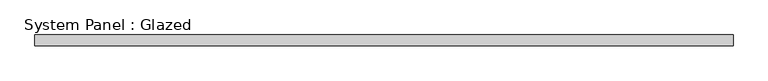
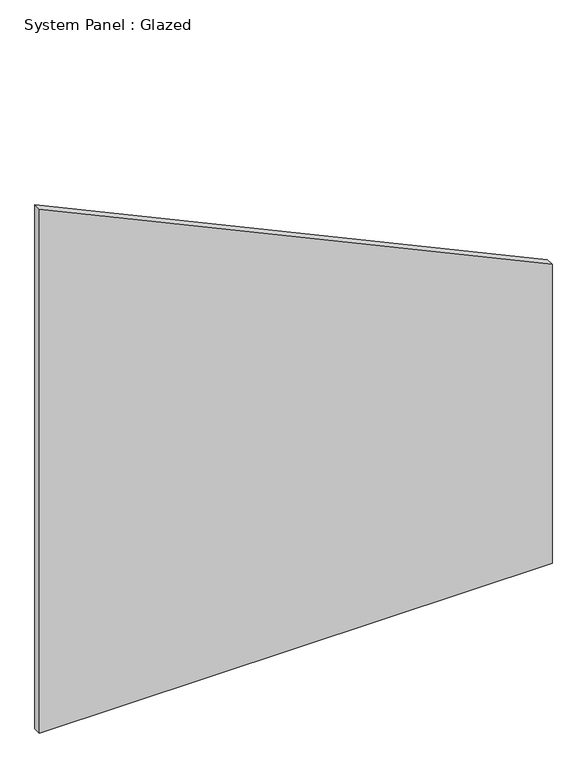
"""IFC4 building model written with IfcOpenShell, lengths in millimetres: plate geometry, System Panel : Glazed."""

from ifc_helpers import new_model, si_unit, frame, origin, place, context, project, spatial, polyline, outline, extrude, source, transform, mapped, element, save


def system_panel_glazed_ce806fdf(model_context):
    return source(origin(), model_context, "Body", "SweptSolid", [
        extrude(outline(polyline([(0.0, -808.6842105), (0.0, 808.6842105), (997.5216558, 808.6842105), (1747.8193249, -808.6842105), (0.0, -808.6842105)])), frame((0.0, 52.5, 0.0), z_axis=(0.0, 1.0, 0.0), x_axis=(0.0, 0.0, 1.0)), (0.0, 0.0, 1.0), 25.0),
    ])


if __name__ == "__main__":
    model = new_model("IFC4")
    model_context = context("Model", 3, world=origin())
    ifc_project = project(units=[si_unit("LENGTHUNIT", "METRE", prefix="MILLI")], contexts=[model_context])
    site = spatial("IfcSite", under=ifc_project)
    building = spatial("IfcBuilding", under=site)
    placement = place(None, origin())
    system_panel_glazed_shape = system_panel_glazed_ce806fdf(model_context)
    element("IfcPlate", 1, ObjectType="System Panel : Glazed", at=placement, inside=building, context=model_context, shape_type="MappedRepresentation", body=[
        mapped(system_panel_glazed_shape, transform((0.0, 0.0, 0.0), x_axis=(1.0, 0.0, 0.0), y_axis=(0.0, 1.0, 0.0), z_axis=(0.0, 0.0, 1.0))),
    ])
    save(model, "model.ifc")
